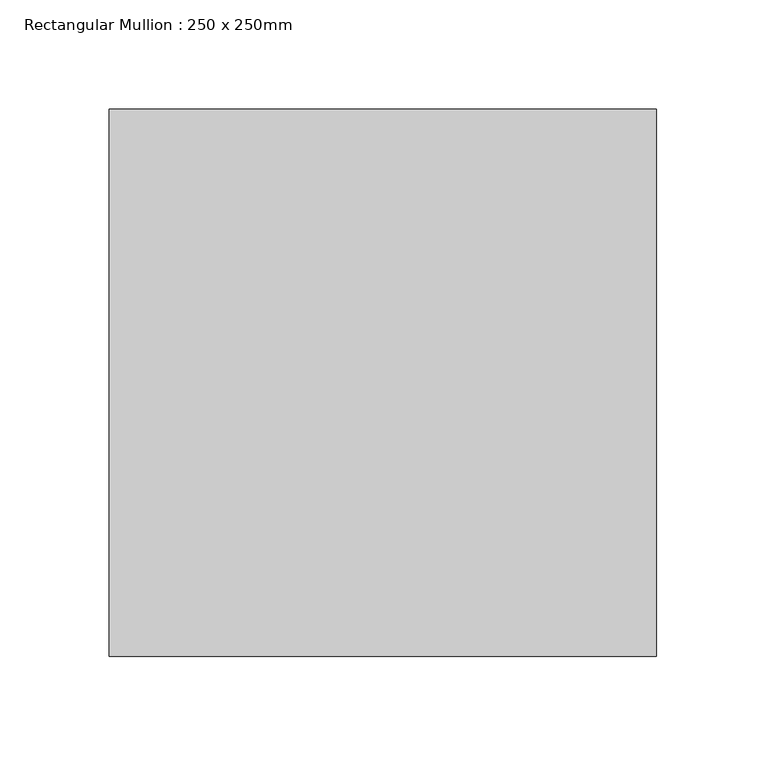
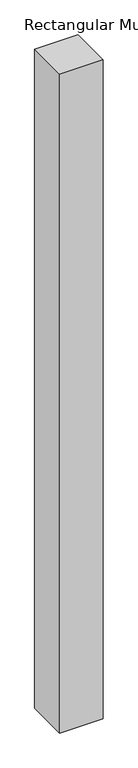
"""IFC4 building model written with IfcOpenShell, lengths in millimetres: member geometry, Rectangular Mullion : 250 x 250mm."""

from ifc_helpers import new_model, si_unit, frame, origin, place, context, project, spatial, polyline, outline, extrude, source, transform, mapped, element, save


def rectangular_mullion_250_x_250mm_7dbf8c89(model_context):
    return source(origin(), model_context, "Body", "SweptSolid", [
        extrude(outline(polyline([(0.0, 125.0), (0.0, -125.0), (-250.0, -125.0), (-250.0, 125.0), (0.0, 125.0)])), frame((0.0, 0.0, -4007.2120402), z_axis=(0.0, 0.0, 1.0), x_axis=(1.0, 0.0, 0.0)), (0.0, 0.0, 1.0), 4007.2120402),
    ])


if __name__ == "__main__":
    model = new_model("IFC4")
    model_context = context("Model", 3, world=origin())
    ifc_project = project(units=[si_unit("LENGTHUNIT", "METRE", prefix="MILLI")], contexts=[model_context])
    site = spatial("IfcSite", under=ifc_project)
    building = spatial("IfcBuilding", under=site)
    placement = place(None, origin())
    rectangular_mullion_250_x_250mm_shape = rectangular_mullion_250_x_250mm_7dbf8c89(model_context)
    element("IfcMember", 1, ObjectType="Rectangular Mullion : 250 x 250mm", at=placement, inside=building, context=model_context, shape_type="MappedRepresentation", body=[
        mapped(rectangular_mullion_250_x_250mm_shape, transform((0.0, 0.0, 0.0), x_axis=(1.0, 0.0, 0.0), y_axis=(0.0, 1.0, 0.0), z_axis=(0.0, 0.0, 1.0))),
    ])
    save(model, "model.ifc")
